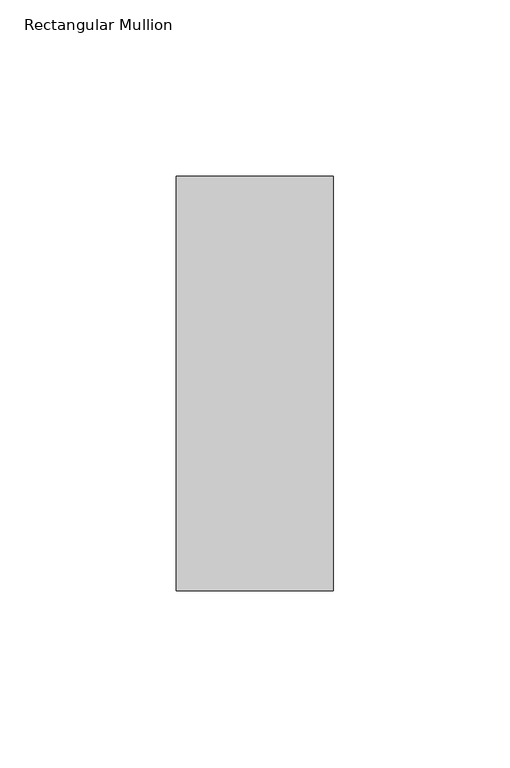
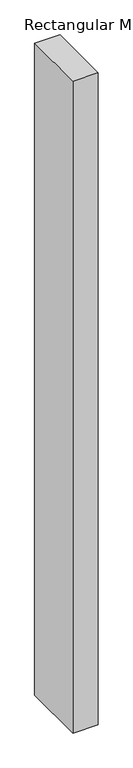
"""IFC4 building model written with IfcOpenShell, lengths in millimetres: member geometry, Rectangular Mullion."""

from ifc_helpers import new_model, si_unit, frame, origin, place, context, project, spatial, polyline, outline, extrude, source, transform, mapped, element, save


def rectangular_mullion_5326b753(model_context):
    return source(origin(), model_context, "Body", "SweptSolid", [
        extrude(outline(polyline([(-44.45, 57.1373), (0.0, 57.1373), (0.0, -60.3594727), (-44.45, -60.3594727), (-44.45, 57.1373)])), frame((0.0, 0.0, -1219.2), z_axis=(0.0, 0.0, 1.0), x_axis=(1.0, 0.0, 0.0)), (0.0, 0.0, 1.0), 1219.2),
    ])


if __name__ == "__main__":
    model = new_model("IFC4")
    model_context = context("Model", 3, world=origin())
    ifc_project = project(units=[si_unit("LENGTHUNIT", "METRE", prefix="MILLI")], contexts=[model_context])
    site = spatial("IfcSite", under=ifc_project)
    building = spatial("IfcBuilding", under=site)
    placement = place(None, origin())
    rectangular_mullion_shape = rectangular_mullion_5326b753(model_context)
    element("IfcMember", 1, ObjectType="Rectangular Mullion", at=placement, inside=building, context=model_context, shape_type="MappedRepresentation", body=[
        mapped(rectangular_mullion_shape, transform((0.0, 0.0, 0.0), x_axis=(1.0, 0.0, 0.0), y_axis=(0.0, 1.0, 0.0), z_axis=(0.0, 0.0, 1.0))),
    ])
    save(model, "model.ifc")
